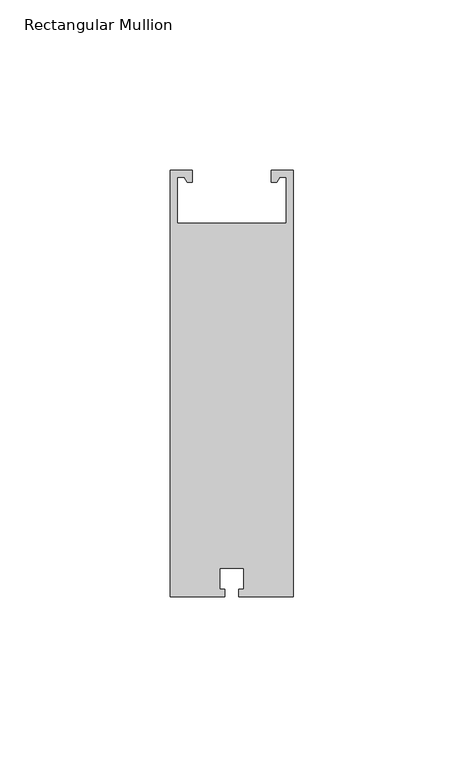
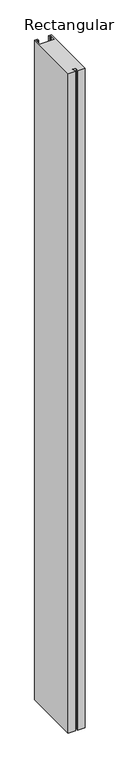
"""IFC4 building model written with IfcOpenShell, lengths in millimetres: member geometry, Rectangular Mullion."""

from ifc_helpers import new_model, si_unit, frame, origin, place, context, project, spatial, polyline, outline, extrude, source, transform, mapped, element, save


def rectangular_mullion_a7a0fb58(model_context):
    return source(origin(), model_context, "Body", "SweptSolid", [
        extrude(outline(polyline([(-4.8660254, 121.5), (-6.4, 121.5), (-6.4, 125.0), (0.0, 125.0), (0.0, 0.0), (-15.95, 0.0), (-15.95, 2.1), (-14.5, 2.1), (-14.5, 8.3), (-21.5, 8.3), (-21.5, 2.1), (-20.05, 2.1), (-20.05, 0.0), (-36.0, 0.0), (-36.0, 125.0), (-29.6, 125.0), (-29.6, 121.5), (-31.1339746, 121.5), (-32.0, 123.0), (-34.0, 123.0), (-34.0, 109.5), (-2.0, 109.5), (-2.0, 123.0), (-4.0, 123.0), (-4.8660254, 121.5)])), frame((0.0, 0.0, -1500.0), z_axis=(0.0, 0.0, 1.0), x_axis=(1.0, 0.0, 0.0)), (0.0, 0.0, 1.0), 1500.0),
    ])


if __name__ == "__main__":
    model = new_model("IFC4")
    model_context = context("Model", 3, world=origin())
    ifc_project = project(units=[si_unit("LENGTHUNIT", "METRE", prefix="MILLI")], contexts=[model_context])
    site = spatial("IfcSite", under=ifc_project)
    building = spatial("IfcBuilding", under=site)
    placement = place(None, origin())
    rectangular_mullion_shape = rectangular_mullion_a7a0fb58(model_context)
    element("IfcMember", 1, ObjectType="Rectangular Mullion", at=placement, inside=building, context=model_context, shape_type="MappedRepresentation", body=[
        mapped(rectangular_mullion_shape, transform((0.0, 0.0, 0.0), x_axis=(1.0, 0.0, 0.0), y_axis=(0.0, 1.0, 0.0), z_axis=(0.0, 0.0, 1.0))),
    ])
    save(model, "model.ifc")
